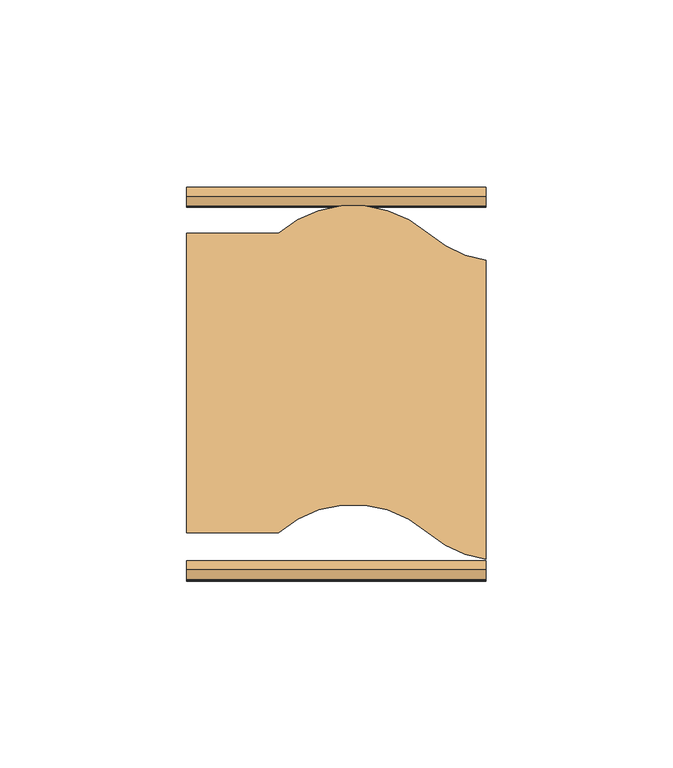
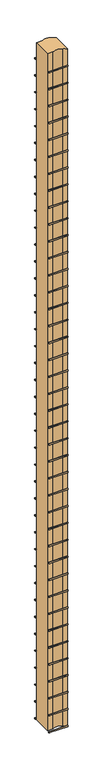
"""IFC4 building model written with IfcOpenShell, lengths in millimetres: door geometry."""

from ifc_helpers import new_model, si_unit, point, frame, frame_2d, origin, origin_with_axes, place, context, project, spatial, polyline, circle_curve, trimmed, segment, composite_curve, outline, extrude, source, transform, mapped, element, save


def door_89ae5f77(model_context):
    return source(origin(), model_context, "Body", "SweptSolid", [
        extrude(outline(composite_curve([segment(trimmed(circle_curve(frame_2d((49.9536574, 2925.0)), 2.4876096), [point((49.9536574, 2922.5123904))], [point((49.9536574, 2927.4876096))], False, "CARTESIAN"), True, "CONTINUOUS"), segment(trimmed(circle_curve(frame_2d((49.9536574, 2925.0)), 2.4876096), [point((49.9536574, 2927.4876096))], [point((49.9536574, 2922.5123904))], False, "CARTESIAN"), True, "CONTINUOUS")], self_intersect=False)), frame((-39.9999998, 0.0, 0.0), z_axis=(1.0, 0.0, 0.0), x_axis=(0.0, 1.0, 0.0)), (0.0, 0.0, 1.0), 79.9999997),
        extrude(outline(composite_curve([segment(trimmed(circle_curve(frame_2d((49.9536574, 2850.0)), 2.4876096), [point((49.9536574, 2847.5123904))], [point((49.9536574, 2852.4876096))], False, "CARTESIAN"), True, "CONTINUOUS"), segment(trimmed(circle_curve(frame_2d((49.9536574, 2850.0)), 2.4876096), [point((49.9536574, 2852.4876096))], [point((49.9536574, 2847.5123904))], False, "CARTESIAN"), True, "CONTINUOUS")], self_intersect=False)), frame((-39.9999998, 0.0, 0.0), z_axis=(1.0, 0.0, 0.0), x_axis=(0.0, 1.0, 0.0)), (0.0, 0.0, 1.0), 79.9999997),
        extrude(outline(composite_curve([segment(trimmed(circle_curve(frame_2d((49.9536574, 2775.0)), 2.4876096), [point((49.9536574, 2772.5123904))], [point((49.9536574, 2777.4876096))], False, "CARTESIAN"), True, "CONTINUOUS"), segment(trimmed(circle_curve(frame_2d((49.9536574, 2775.0)), 2.4876096), [point((49.9536574, 2777.4876096))], [point((49.9536574, 2772.5123904))], False, "CARTESIAN"), True, "CONTINUOUS")], self_intersect=False)), frame((-39.9999998, 0.0, 0.0), z_axis=(1.0, 0.0, 0.0), x_axis=(0.0, 1.0, 0.0)), (0.0, 0.0, 1.0), 79.9999997),
        extrude(outline(composite_curve([segment(trimmed(circle_curve(frame_2d((49.9536574, 2700.0)), 2.4876096), [point((49.9536574, 2697.5123904))], [point((49.9536574, 2702.4876096))], False, "CARTESIAN"), True, "CONTINUOUS"), segment(trimmed(circle_curve(frame_2d((49.9536574, 2700.0)), 2.4876096), [point((49.9536574, 2702.4876096))], [point((49.9536574, 2697.5123904))], False, "CARTESIAN"), True, "CONTINUOUS")], self_intersect=False)), frame((-39.9999998, 0.0, 0.0), z_axis=(1.0, 0.0, 0.0), x_axis=(0.0, 1.0, 0.0)), (0.0, 0.0, 1.0), 79.9999997),
        extrude(outline(composite_curve([segment(trimmed(circle_curve(frame_2d((49.9536574, 2625.0)), 2.4876096), [point((49.9536574, 2622.5123904))], [point((49.9536574, 2627.4876096))], False, "CARTESIAN"), True, "CONTINUOUS"), segment(trimmed(circle_curve(frame_2d((49.9536574, 2625.0)), 2.4876096), [point((49.9536574, 2627.4876096))], [point((49.9536574, 2622.5123904))], False, "CARTESIAN"), True, "CONTINUOUS")], self_intersect=False)), frame((-39.9999998, 0.0, 0.0), z_axis=(1.0, 0.0, 0.0), x_axis=(0.0, 1.0, 0.0)), (0.0, 0.0, 1.0), 79.9999997),
        extrude(outline(composite_curve([segment(trimmed(circle_curve(frame_2d((49.9536574, 2550.0)), 2.4876096), [point((49.9536574, 2547.5123904))], [point((49.9536574, 2552.4876096))], False, "CARTESIAN"), True, "CONTINUOUS"), segment(trimmed(circle_curve(frame_2d((49.9536574, 2550.0)), 2.4876096), [point((49.9536574, 2552.4876096))], [point((49.9536574, 2547.5123904))], False, "CARTESIAN"), True, "CONTINUOUS")], self_intersect=False)), frame((-39.9999998, 0.0, 0.0), z_axis=(1.0, 0.0, 0.0), x_axis=(0.0, 1.0, 0.0)), (0.0, 0.0, 1.0), 79.9999997),
        extrude(outline(composite_curve([segment(trimmed(circle_curve(frame_2d((49.9536574, 2475.0)), 2.4876096), [point((49.9536574, 2472.5123904))], [point((49.9536574, 2477.4876096))], False, "CARTESIAN"), True, "CONTINUOUS"), segment(trimmed(circle_curve(frame_2d((49.9536574, 2475.0)), 2.4876096), [point((49.9536574, 2477.4876096))], [point((49.9536574, 2472.5123904))], False, "CARTESIAN"), True, "CONTINUOUS")], self_intersect=False)), frame((-39.9999998, 0.0, 0.0), z_axis=(1.0, 0.0, 0.0), x_axis=(0.0, 1.0, 0.0)), (0.0, 0.0, 1.0), 79.9999997),
        extrude(outline(composite_curve([segment(trimmed(circle_curve(frame_2d((49.9536574, 2400.0)), 2.4876096), [point((49.9536574, 2397.5123904))], [point((49.9536574, 2402.4876096))], False, "CARTESIAN"), True, "CONTINUOUS"), segment(trimmed(circle_curve(frame_2d((49.9536574, 2400.0)), 2.4876096), [point((49.9536574, 2402.4876096))], [point((49.9536574, 2397.5123904))], False, "CARTESIAN"), True, "CONTINUOUS")], self_intersect=False)), frame((-39.9999998, 0.0, 0.0), z_axis=(1.0, 0.0, 0.0), x_axis=(0.0, 1.0, 0.0)), (0.0, 0.0, 1.0), 79.9999997),
        extrude(outline(composite_curve([segment(trimmed(circle_curve(frame_2d((49.9536574, 2325.0)), 2.4876096), [point((49.9536574, 2322.5123904))], [point((49.9536574, 2327.4876096))], False, "CARTESIAN"), True, "CONTINUOUS"), segment(trimmed(circle_curve(frame_2d((49.9536574, 2325.0)), 2.4876096), [point((49.9536574, 2327.4876096))], [point((49.9536574, 2322.5123904))], False, "CARTESIAN"), True, "CONTINUOUS")], self_intersect=False)), frame((-39.9999998, 0.0, 0.0), z_axis=(1.0, 0.0, 0.0), x_axis=(0.0, 1.0, 0.0)), (0.0, 0.0, 1.0), 79.9999997),
        extrude(outline(composite_curve([segment(trimmed(circle_curve(frame_2d((49.9536574, 2250.0)), 2.4876096), [point((49.9536574, 2247.5123904))], [point((49.9536574, 2252.4876096))], False, "CARTESIAN"), True, "CONTINUOUS"), segment(trimmed(circle_curve(frame_2d((49.9536574, 2250.0)), 2.4876096), [point((49.9536574, 2252.4876096))], [point((49.9536574, 2247.5123904))], False, "CARTESIAN"), True, "CONTINUOUS")], self_intersect=False)), frame((-39.9999998, 0.0, 0.0), z_axis=(1.0, 0.0, 0.0), x_axis=(0.0, 1.0, 0.0)), (0.0, 0.0, 1.0), 79.9999997),
        extrude(outline(composite_curve([segment(trimmed(circle_curve(frame_2d((49.9536574, 2175.0)), 2.4876096), [point((49.9536574, 2172.5123904))], [point((49.9536574, 2177.4876096))], False, "CARTESIAN"), True, "CONTINUOUS"), segment(trimmed(circle_curve(frame_2d((49.9536574, 2175.0)), 2.4876096), [point((49.9536574, 2177.4876096))], [point((49.9536574, 2172.5123904))], False, "CARTESIAN"), True, "CONTINUOUS")], self_intersect=False)), frame((-39.9999998, 0.0, 0.0), z_axis=(1.0, 0.0, 0.0), x_axis=(0.0, 1.0, 0.0)), (0.0, 0.0, 1.0), 79.9999997),
        extrude(outline(composite_curve([segment(trimmed(circle_curve(frame_2d((49.9536574, 2100.0)), 2.4876096), [point((49.9536574, 2097.5123904))], [point((49.9536574, 2102.4876096))], False, "CARTESIAN"), True, "CONTINUOUS"), segment(trimmed(circle_curve(frame_2d((49.9536574, 2100.0)), 2.4876096), [point((49.9536574, 2102.4876096))], [point((49.9536574, 2097.5123904))], False, "CARTESIAN"), True, "CONTINUOUS")], self_intersect=False)), frame((-39.9999998, 0.0, 0.0), z_axis=(1.0, 0.0, 0.0), x_axis=(0.0, 1.0, 0.0)), (0.0, 0.0, 1.0), 79.9999997),
        extrude(outline(composite_curve([segment(trimmed(circle_curve(frame_2d((49.9536574, 2025.0)), 2.4876096), [point((49.9536574, 2022.5123904))], [point((49.9536574, 2027.4876096))], False, "CARTESIAN"), True, "CONTINUOUS"), segment(trimmed(circle_curve(frame_2d((49.9536574, 2025.0)), 2.4876096), [point((49.9536574, 2027.4876096))], [point((49.9536574, 2022.5123904))], False, "CARTESIAN"), True, "CONTINUOUS")], self_intersect=False)), frame((-39.9999998, 0.0, 0.0), z_axis=(1.0, 0.0, 0.0), x_axis=(0.0, 1.0, 0.0)), (0.0, 0.0, 1.0), 79.9999997),
        extrude(outline(composite_curve([segment(trimmed(circle_curve(frame_2d((49.9536574, 1950.0)), 2.4876096), [point((49.9536574, 1947.5123904))], [point((49.9536574, 1952.4876096))], False, "CARTESIAN"), True, "CONTINUOUS"), segment(trimmed(circle_curve(frame_2d((49.9536574, 1950.0)), 2.4876096), [point((49.9536574, 1952.4876096))], [point((49.9536574, 1947.5123904))], False, "CARTESIAN"), True, "CONTINUOUS")], self_intersect=False)), frame((-39.9999998, 0.0, 0.0), z_axis=(1.0, 0.0, 0.0), x_axis=(0.0, 1.0, 0.0)), (0.0, 0.0, 1.0), 79.9999997),
        extrude(outline(composite_curve([segment(trimmed(circle_curve(frame_2d((49.9536574, 1875.0)), 2.4876096), [point((49.9536574, 1872.5123904))], [point((49.9536574, 1877.4876096))], False, "CARTESIAN"), True, "CONTINUOUS"), segment(trimmed(circle_curve(frame_2d((49.9536574, 1875.0)), 2.4876096), [point((49.9536574, 1877.4876096))], [point((49.9536574, 1872.5123904))], False, "CARTESIAN"), True, "CONTINUOUS")], self_intersect=False)), frame((-39.9999998, 0.0, 0.0), z_axis=(1.0, 0.0, 0.0), x_axis=(0.0, 1.0, 0.0)), (0.0, 0.0, 1.0), 79.9999997),
        extrude(outline(composite_curve([segment(trimmed(circle_curve(frame_2d((49.9536574, 1800.0)), 2.4876096), [point((49.9536574, 1797.5123904))], [point((49.9536574, 1802.4876096))], False, "CARTESIAN"), True, "CONTINUOUS"), segment(trimmed(circle_curve(frame_2d((49.9536574, 1800.0)), 2.4876096), [point((49.9536574, 1802.4876096))], [point((49.9536574, 1797.5123904))], False, "CARTESIAN"), True, "CONTINUOUS")], self_intersect=False)), frame((-39.9999998, 0.0, 0.0), z_axis=(1.0, 0.0, 0.0), x_axis=(0.0, 1.0, 0.0)), (0.0, 0.0, 1.0), 79.9999997),
        extrude(outline(composite_curve([segment(trimmed(circle_curve(frame_2d((49.9536574, 1725.0)), 2.4876096), [point((49.9536574, 1722.5123904))], [point((49.9536574, 1727.4876096))], False, "CARTESIAN"), True, "CONTINUOUS"), segment(trimmed(circle_curve(frame_2d((49.9536574, 1725.0)), 2.4876096), [point((49.9536574, 1727.4876096))], [point((49.9536574, 1722.5123904))], False, "CARTESIAN"), True, "CONTINUOUS")], self_intersect=False)), frame((-39.9999998, 0.0, 0.0), z_axis=(1.0, 0.0, 0.0), x_axis=(0.0, 1.0, 0.0)), (0.0, 0.0, 1.0), 79.9999997),
        extrude(outline(composite_curve([segment(trimmed(circle_curve(frame_2d((49.9536574, 1650.0)), 2.4876096), [point((49.9536574, 1647.5123904))], [point((49.9536574, 1652.4876096))], False, "CARTESIAN"), True, "CONTINUOUS"), segment(trimmed(circle_curve(frame_2d((49.9536574, 1650.0)), 2.4876096), [point((49.9536574, 1652.4876096))], [point((49.9536574, 1647.5123904))], False, "CARTESIAN"), True, "CONTINUOUS")], self_intersect=False)), frame((-39.9999998, 0.0, 0.0), z_axis=(1.0, 0.0, 0.0), x_axis=(0.0, 1.0, 0.0)), (0.0, 0.0, 1.0), 79.9999997),
        extrude(outline(composite_curve([segment(trimmed(circle_curve(frame_2d((49.9536574, 1575.0)), 2.4876096), [point((49.9536574, 1572.5123904))], [point((49.9536574, 1577.4876096))], False, "CARTESIAN"), True, "CONTINUOUS"), segment(trimmed(circle_curve(frame_2d((49.9536574, 1575.0)), 2.4876096), [point((49.9536574, 1577.4876096))], [point((49.9536574, 1572.5123904))], False, "CARTESIAN"), True, "CONTINUOUS")], self_intersect=False)), frame((-39.9999998, 0.0, 0.0), z_axis=(1.0, 0.0, 0.0), x_axis=(0.0, 1.0, 0.0)), (0.0, 0.0, 1.0), 79.9999997),
        extrude(outline(composite_curve([segment(trimmed(circle_curve(frame_2d((49.9536574, 1500.0)), 2.4876096), [point((49.9536574, 1497.5123904))], [point((49.9536574, 1502.4876096))], False, "CARTESIAN"), True, "CONTINUOUS"), segment(trimmed(circle_curve(frame_2d((49.9536574, 1500.0)), 2.4876096), [point((49.9536574, 1502.4876096))], [point((49.9536574, 1497.5123904))], False, "CARTESIAN"), True, "CONTINUOUS")], self_intersect=False)), frame((-39.9999998, 0.0, 0.0), z_axis=(1.0, 0.0, 0.0), x_axis=(0.0, 1.0, 0.0)), (0.0, 0.0, 1.0), 79.9999997),
        extrude(outline(composite_curve([segment(trimmed(circle_curve(frame_2d((49.9536574, 1425.0)), 2.4876096), [point((49.9536574, 1422.5123904))], [point((49.9536574, 1427.4876096))], False, "CARTESIAN"), True, "CONTINUOUS"), segment(trimmed(circle_curve(frame_2d((49.9536574, 1425.0)), 2.4876096), [point((49.9536574, 1427.4876096))], [point((49.9536574, 1422.5123904))], False, "CARTESIAN"), True, "CONTINUOUS")], self_intersect=False)), frame((-39.9999998, 0.0, 0.0), z_axis=(1.0, 0.0, 0.0), x_axis=(0.0, 1.0, 0.0)), (0.0, 0.0, 1.0), 79.9999997),
        extrude(outline(composite_curve([segment(trimmed(circle_curve(frame_2d((49.9536574, 1350.0)), 2.4876096), [point((49.9536574, 1347.5123904))], [point((49.9536574, 1352.4876096))], False, "CARTESIAN"), True, "CONTINUOUS"), segment(trimmed(circle_curve(frame_2d((49.9536574, 1350.0)), 2.4876096), [point((49.9536574, 1352.4876096))], [point((49.9536574, 1347.5123904))], False, "CARTESIAN"), True, "CONTINUOUS")], self_intersect=False)), frame((-39.9999998, 0.0, 0.0), z_axis=(1.0, 0.0, 0.0), x_axis=(0.0, 1.0, 0.0)), (0.0, 0.0, 1.0), 79.9999997),
        extrude(outline(composite_curve([segment(trimmed(circle_curve(frame_2d((49.9536574, 1275.0)), 2.4876096), [point((49.9536574, 1272.5123904))], [point((49.9536574, 1277.4876096))], False, "CARTESIAN"), True, "CONTINUOUS"), segment(trimmed(circle_curve(frame_2d((49.9536574, 1275.0)), 2.4876096), [point((49.9536574, 1277.4876096))], [point((49.9536574, 1272.5123904))], False, "CARTESIAN"), True, "CONTINUOUS")], self_intersect=False)), frame((-39.9999998, 0.0, 0.0), z_axis=(1.0, 0.0, 0.0), x_axis=(0.0, 1.0, 0.0)), (0.0, 0.0, 1.0), 79.9999997),
        extrude(outline(composite_curve([segment(trimmed(circle_curve(frame_2d((49.9536574, 1200.0)), 2.4876096), [point((49.9536574, 1197.5123904))], [point((49.9536574, 1202.4876096))], False, "CARTESIAN"), True, "CONTINUOUS"), segment(trimmed(circle_curve(frame_2d((49.9536574, 1200.0)), 2.4876096), [point((49.9536574, 1202.4876096))], [point((49.9536574, 1197.5123904))], False, "CARTESIAN"), True, "CONTINUOUS")], self_intersect=False)), frame((-39.9999998, 0.0, 0.0), z_axis=(1.0, 0.0, 0.0), x_axis=(0.0, 1.0, 0.0)), (0.0, 0.0, 1.0), 79.9999997),
        extrude(outline(composite_curve([segment(trimmed(circle_curve(frame_2d((49.9536574, 1125.0)), 2.4876096), [point((49.9536574, 1122.5123904))], [point((49.9536574, 1127.4876096))], False, "CARTESIAN"), True, "CONTINUOUS"), segment(trimmed(circle_curve(frame_2d((49.9536574, 1125.0)), 2.4876096), [point((49.9536574, 1127.4876096))], [point((49.9536574, 1122.5123904))], False, "CARTESIAN"), True, "CONTINUOUS")], self_intersect=False)), frame((-39.9999998, 0.0, 0.0), z_axis=(1.0, 0.0, 0.0), x_axis=(0.0, 1.0, 0.0)), (0.0, 0.0, 1.0), 79.9999997),
        extrude(outline(composite_curve([segment(trimmed(circle_curve(frame_2d((49.9536574, 1050.0)), 2.4876096), [point((49.9536574, 1047.5123904))], [point((49.9536574, 1052.4876096))], False, "CARTESIAN"), True, "CONTINUOUS"), segment(trimmed(circle_curve(frame_2d((49.9536574, 1050.0)), 2.4876096), [point((49.9536574, 1052.4876096))], [point((49.9536574, 1047.5123904))], False, "CARTESIAN"), True, "CONTINUOUS")], self_intersect=False)), frame((-39.9999998, 0.0, 0.0), z_axis=(1.0, 0.0, 0.0), x_axis=(0.0, 1.0, 0.0)), (0.0, 0.0, 1.0), 79.9999997),
        extrude(outline(composite_curve([segment(trimmed(circle_curve(frame_2d((49.9536574, 975.0)), 2.4876096), [point((49.9536574, 972.5123904))], [point((49.9536574, 977.4876096))], False, "CARTESIAN"), True, "CONTINUOUS"), segment(trimmed(circle_curve(frame_2d((49.9536574, 975.0)), 2.4876096), [point((49.9536574, 977.4876096))], [point((49.9536574, 972.5123904))], False, "CARTESIAN"), True, "CONTINUOUS")], self_intersect=False)), frame((-39.9999998, 0.0, 0.0), z_axis=(1.0, 0.0, 0.0), x_axis=(0.0, 1.0, 0.0)), (0.0, 0.0, 1.0), 79.9999997),
        extrude(outline(composite_curve([segment(trimmed(circle_curve(frame_2d((49.9536574, 900.0)), 2.4876096), [point((49.9536574, 897.5123904))], [point((49.9536574, 902.4876096))], False, "CARTESIAN"), True, "CONTINUOUS"), segment(trimmed(circle_curve(frame_2d((49.9536574, 900.0)), 2.4876096), [point((49.9536574, 902.4876096))], [point((49.9536574, 897.5123904))], False, "CARTESIAN"), True, "CONTINUOUS")], self_intersect=False)), frame((-39.9999998, 0.0, 0.0), z_axis=(1.0, 0.0, 0.0), x_axis=(0.0, 1.0, 0.0)), (0.0, 0.0, 1.0), 79.9999997),
        extrude(outline(composite_curve([segment(trimmed(circle_curve(frame_2d((49.9536574, 825.0)), 2.4876096), [point((49.9536574, 822.5123904))], [point((49.9536574, 827.4876096))], False, "CARTESIAN"), True, "CONTINUOUS"), segment(trimmed(circle_curve(frame_2d((49.9536574, 825.0)), 2.4876096), [point((49.9536574, 827.4876096))], [point((49.9536574, 822.5123904))], False, "CARTESIAN"), True, "CONTINUOUS")], self_intersect=False)), frame((-39.9999998, 0.0, 0.0), z_axis=(1.0, 0.0, 0.0), x_axis=(0.0, 1.0, 0.0)), (0.0, 0.0, 1.0), 79.9999997),
        extrude(outline(composite_curve([segment(trimmed(circle_curve(frame_2d((49.9536574, 750.0)), 2.4876096), [point((49.9536574, 747.5123904))], [point((49.9536574, 752.4876096))], False, "CARTESIAN"), True, "CONTINUOUS"), segment(trimmed(circle_curve(frame_2d((49.9536574, 750.0)), 2.4876096), [point((49.9536574, 752.4876096))], [point((49.9536574, 747.5123904))], False, "CARTESIAN"), True, "CONTINUOUS")], self_intersect=False)), frame((-39.9999998, 0.0, 0.0), z_axis=(1.0, 0.0, 0.0), x_axis=(0.0, 1.0, 0.0)), (0.0, 0.0, 1.0), 79.9999997),
        extrude(outline(composite_curve([segment(trimmed(circle_curve(frame_2d((49.9536574, 675.0)), 2.4876096), [point((49.9536574, 672.5123904))], [point((49.9536574, 677.4876096))], False, "CARTESIAN"), True, "CONTINUOUS"), segment(trimmed(circle_curve(frame_2d((49.9536574, 675.0)), 2.4876096), [point((49.9536574, 677.4876096))], [point((49.9536574, 672.5123904))], False, "CARTESIAN"), True, "CONTINUOUS")], self_intersect=False)), frame((-39.9999998, 0.0, 0.0), z_axis=(1.0, 0.0, 0.0), x_axis=(0.0, 1.0, 0.0)), (0.0, 0.0, 1.0), 79.9999997),
        extrude(outline(composite_curve([segment(trimmed(circle_curve(frame_2d((49.9536574, 600.0)), 2.4876096), [point((49.9536574, 597.5123904))], [point((49.9536574, 602.4876096))], False, "CARTESIAN"), True, "CONTINUOUS"), segment(trimmed(circle_curve(frame_2d((49.9536574, 600.0)), 2.4876096), [point((49.9536574, 602.4876096))], [point((49.9536574, 597.5123904))], False, "CARTESIAN"), True, "CONTINUOUS")], self_intersect=False)), frame((-39.9999998, 0.0, 0.0), z_axis=(1.0, 0.0, 0.0), x_axis=(0.0, 1.0, 0.0)), (0.0, 0.0, 1.0), 79.9999997),
        extrude(outline(composite_curve([segment(trimmed(circle_curve(frame_2d((49.9536574, 525.0)), 2.4876096), [point((49.9536574, 522.5123904))], [point((49.9536574, 527.4876096))], False, "CARTESIAN"), True, "CONTINUOUS"), segment(trimmed(circle_curve(frame_2d((49.9536574, 525.0)), 2.4876096), [point((49.9536574, 527.4876096))], [point((49.9536574, 522.5123904))], False, "CARTESIAN"), True, "CONTINUOUS")], self_intersect=False)), frame((-39.9999998, 0.0, 0.0), z_axis=(1.0, 0.0, 0.0), x_axis=(0.0, 1.0, 0.0)), (0.0, 0.0, 1.0), 79.9999997),
        extrude(outline(composite_curve([segment(trimmed(circle_curve(frame_2d((49.9536574, 450.0)), 2.4876096), [point((49.9536574, 447.5123904))], [point((49.9536574, 452.4876096))], False, "CARTESIAN"), True, "CONTINUOUS"), segment(trimmed(circle_curve(frame_2d((49.9536574, 450.0)), 2.4876096), [point((49.9536574, 452.4876096))], [point((49.9536574, 447.5123904))], False, "CARTESIAN"), True, "CONTINUOUS")], self_intersect=False)), frame((-39.9999998, 0.0, 0.0), z_axis=(1.0, 0.0, 0.0), x_axis=(0.0, 1.0, 0.0)), (0.0, 0.0, 1.0), 79.9999997),
        extrude(outline(composite_curve([segment(trimmed(circle_curve(frame_2d((49.9536574, 375.0)), 2.4876096), [point((49.9536574, 372.5123904))], [point((49.9536574, 377.4876096))], False, "CARTESIAN"), True, "CONTINUOUS"), segment(trimmed(circle_curve(frame_2d((49.9536574, 375.0)), 2.4876096), [point((49.9536574, 377.4876096))], [point((49.9536574, 372.5123904))], False, "CARTESIAN"), True, "CONTINUOUS")], self_intersect=False)), frame((-39.9999998, 0.0, 0.0), z_axis=(1.0, 0.0, 0.0), x_axis=(0.0, 1.0, 0.0)), (0.0, 0.0, 1.0), 79.9999997),
        extrude(outline(composite_curve([segment(trimmed(circle_curve(frame_2d((49.9536574, 300.0)), 2.4876096), [point((49.9536574, 297.5123904))], [point((49.9536574, 302.4876096))], False, "CARTESIAN"), True, "CONTINUOUS"), segment(trimmed(circle_curve(frame_2d((49.9536574, 300.0)), 2.4876096), [point((49.9536574, 302.4876096))], [point((49.9536574, 297.5123904))], False, "CARTESIAN"), True, "CONTINUOUS")], self_intersect=False)), frame((-39.9999998, 0.0, 0.0), z_axis=(1.0, 0.0, 0.0), x_axis=(0.0, 1.0, 0.0)), (0.0, 0.0, 1.0), 79.9999997),
        extrude(outline(composite_curve([segment(trimmed(circle_curve(frame_2d((49.9536574, 225.0)), 2.4876096), [point((49.9536574, 222.5123904))], [point((49.9536574, 227.4876096))], False, "CARTESIAN"), True, "CONTINUOUS"), segment(trimmed(circle_curve(frame_2d((49.9536574, 225.0)), 2.4876096), [point((49.9536574, 227.4876096))], [point((49.9536574, 222.5123904))], False, "CARTESIAN"), True, "CONTINUOUS")], self_intersect=False)), frame((-39.9999998, 0.0, 0.0), z_axis=(1.0, 0.0, 0.0), x_axis=(0.0, 1.0, 0.0)), (0.0, 0.0, 1.0), 79.9999997),
        extrude(outline(composite_curve([segment(trimmed(circle_curve(frame_2d((49.9536574, 150.0)), 2.4876096), [point((49.9536574, 147.5123904))], [point((49.9536574, 152.4876096))], False, "CARTESIAN"), True, "CONTINUOUS"), segment(trimmed(circle_curve(frame_2d((49.9536574, 150.0)), 2.4876096), [point((49.9536574, 152.4876096))], [point((49.9536574, 147.5123904))], False, "CARTESIAN"), True, "CONTINUOUS")], self_intersect=False)), frame((-39.9999998, 0.0, 0.0), z_axis=(1.0, 0.0, 0.0), x_axis=(0.0, 1.0, 0.0)), (0.0, 0.0, 1.0), 79.9999997),
        extrude(outline(composite_curve([segment(trimmed(circle_curve(frame_2d((49.9536574, 75.0)), 2.4876096), [point((49.9536574, 72.5123904))], [point((49.9536574, 77.4876096))], False, "CARTESIAN"), True, "CONTINUOUS"), segment(trimmed(circle_curve(frame_2d((49.9536574, 75.0)), 2.4876096), [point((49.9536574, 77.4876096))], [point((49.9536574, 72.5123904))], False, "CARTESIAN"), True, "CONTINUOUS")], self_intersect=False)), frame((-39.9999998, 0.0, 0.0), z_axis=(1.0, 0.0, 0.0), x_axis=(0.0, 1.0, 0.0)), (0.0, 0.0, 1.0), 79.9999997),
        extrude(outline(composite_curve([segment(trimmed(circle_curve(frame_2d((49.9536574, 0.0)), 2.4876096), [point((49.9536574, -2.4876096))], [point((49.9536574, 2.4876096))], False, "CARTESIAN"), True, "CONTINUOUS"), segment(trimmed(circle_curve(frame_2d((49.9536574, 0.0)), 2.4876096), [point((49.9536574, 2.4876096))], [point((49.9536574, -2.4876096))], False, "CARTESIAN"), True, "CONTINUOUS")], self_intersect=False)), frame((-39.9999998, 0.0, 0.0), z_axis=(1.0, 0.0, 0.0), x_axis=(0.0, 1.0, 0.0)), (0.0, 0.0, 1.0), 79.9999997),
        extrude(outline(composite_curve([segment(trimmed(circle_curve(frame_2d((-49.9536574, 2925.0)), 2.4876096), [point((-49.9536574, 2922.5123904))], [point((-49.9536574, 2927.4876096))], False, "CARTESIAN"), True, "CONTINUOUS"), segment(trimmed(circle_curve(frame_2d((-49.9536574, 2925.0)), 2.4876096), [point((-49.9536574, 2927.4876096))], [point((-49.9536574, 2922.5123904))], False, "CARTESIAN"), True, "CONTINUOUS")], self_intersect=False)), frame((-39.9999998, 0.0, 0.0), z_axis=(1.0, 0.0, 0.0), x_axis=(0.0, 1.0, 0.0)), (0.0, 0.0, 1.0), 79.9999997),
        extrude(outline(composite_curve([segment(trimmed(circle_curve(frame_2d((-49.9536574, 2850.0)), 2.4876096), [point((-49.9536574, 2847.5123904))], [point((-49.9536574, 2852.4876096))], False, "CARTESIAN"), True, "CONTINUOUS"), segment(trimmed(circle_curve(frame_2d((-49.9536574, 2850.0)), 2.4876096), [point((-49.9536574, 2852.4876096))], [point((-49.9536574, 2847.5123904))], False, "CARTESIAN"), True, "CONTINUOUS")], self_intersect=False)), frame((-39.9999998, 0.0, 0.0), z_axis=(1.0, 0.0, 0.0), x_axis=(0.0, 1.0, 0.0)), (0.0, 0.0, 1.0), 79.9999997),
        extrude(outline(composite_curve([segment(trimmed(circle_curve(frame_2d((-49.9536574, 2775.0)), 2.4876096), [point((-49.9536574, 2772.5123904))], [point((-49.9536574, 2777.4876096))], False, "CARTESIAN"), True, "CONTINUOUS"), segment(trimmed(circle_curve(frame_2d((-49.9536574, 2775.0)), 2.4876096), [point((-49.9536574, 2777.4876096))], [point((-49.9536574, 2772.5123904))], False, "CARTESIAN"), True, "CONTINUOUS")], self_intersect=False)), frame((-39.9999998, 0.0, 0.0), z_axis=(1.0, 0.0, 0.0), x_axis=(0.0, 1.0, 0.0)), (0.0, 0.0, 1.0), 79.9999997),
        extrude(outline(composite_curve([segment(trimmed(circle_curve(frame_2d((-49.9536574, 2700.0)), 2.4876096), [point((-49.9536574, 2697.5123904))], [point((-49.9536574, 2702.4876096))], False, "CARTESIAN"), True, "CONTINUOUS"), segment(trimmed(circle_curve(frame_2d((-49.9536574, 2700.0)), 2.4876096), [point((-49.9536574, 2702.4876096))], [point((-49.9536574, 2697.5123904))], False, "CARTESIAN"), True, "CONTINUOUS")], self_intersect=False)), frame((-39.9999998, 0.0, 0.0), z_axis=(1.0, 0.0, 0.0), x_axis=(0.0, 1.0, 0.0)), (0.0, 0.0, 1.0), 79.9999997),
        extrude(outline(composite_curve([segment(trimmed(circle_curve(frame_2d((-49.9536574, 2625.0)), 2.4876096), [point((-49.9536574, 2622.5123904))], [point((-49.9536574, 2627.4876096))], False, "CARTESIAN"), True, "CONTINUOUS"), segment(trimmed(circle_curve(frame_2d((-49.9536574, 2625.0)), 2.4876096), [point((-49.9536574, 2627.4876096))], [point((-49.9536574, 2622.5123904))], False, "CARTESIAN"), True, "CONTINUOUS")], self_intersect=False)), frame((-39.9999998, 0.0, 0.0), z_axis=(1.0, 0.0, 0.0), x_axis=(0.0, 1.0, 0.0)), (0.0, 0.0, 1.0), 79.9999997),
        extrude(outline(composite_curve([segment(trimmed(circle_curve(frame_2d((-49.9536574, 2550.0)), 2.4876096), [point((-49.9536574, 2547.5123904))], [point((-49.9536574, 2552.4876096))], False, "CARTESIAN"), True, "CONTINUOUS"), segment(trimmed(circle_curve(frame_2d((-49.9536574, 2550.0)), 2.4876096), [point((-49.9536574, 2552.4876096))], [point((-49.9536574, 2547.5123904))], False, "CARTESIAN"), True, "CONTINUOUS")], self_intersect=False)), frame((-39.9999998, 0.0, 0.0), z_axis=(1.0, 0.0, 0.0), x_axis=(0.0, 1.0, 0.0)), (0.0, 0.0, 1.0), 79.9999997),
        extrude(outline(composite_curve([segment(trimmed(circle_curve(frame_2d((-49.9536574, 2475.0)), 2.4876096), [point((-49.9536574, 2472.5123904))], [point((-49.9536574, 2477.4876096))], False, "CARTESIAN"), True, "CONTINUOUS"), segment(trimmed(circle_curve(frame_2d((-49.9536574, 2475.0)), 2.4876096), [point((-49.9536574, 2477.4876096))], [point((-49.9536574, 2472.5123904))], False, "CARTESIAN"), True, "CONTINUOUS")], self_intersect=False)), frame((-39.9999998, 0.0, 0.0), z_axis=(1.0, 0.0, 0.0), x_axis=(0.0, 1.0, 0.0)), (0.0, 0.0, 1.0), 79.9999997),
        extrude(outline(composite_curve([segment(trimmed(circle_curve(frame_2d((-49.9536574, 2400.0)), 2.4876096), [point((-49.9536574, 2397.5123904))], [point((-49.9536574, 2402.4876096))], False, "CARTESIAN"), True, "CONTINUOUS"), segment(trimmed(circle_curve(frame_2d((-49.9536574, 2400.0)), 2.4876096), [point((-49.9536574, 2402.4876096))], [point((-49.9536574, 2397.5123904))], False, "CARTESIAN"), True, "CONTINUOUS")], self_intersect=False)), frame((-39.9999998, 0.0, 0.0), z_axis=(1.0, 0.0, 0.0), x_axis=(0.0, 1.0, 0.0)), (0.0, 0.0, 1.0), 79.9999997),
        extrude(outline(composite_curve([segment(trimmed(circle_curve(frame_2d((-49.9536574, 2325.0)), 2.4876096), [point((-49.9536574, 2322.5123904))], [point((-49.9536574, 2327.4876096))], False, "CARTESIAN"), True, "CONTINUOUS"), segment(trimmed(circle_curve(frame_2d((-49.9536574, 2325.0)), 2.4876096), [point((-49.9536574, 2327.4876096))], [point((-49.9536574, 2322.5123904))], False, "CARTESIAN"), True, "CONTINUOUS")], self_intersect=False)), frame((-39.9999998, 0.0, 0.0), z_axis=(1.0, 0.0, 0.0), x_axis=(0.0, 1.0, 0.0)), (0.0, 0.0, 1.0), 79.9999997),
        extrude(outline(composite_curve([segment(trimmed(circle_curve(frame_2d((-49.9536574, 2250.0)), 2.4876096), [point((-49.9536574, 2247.5123904))], [point((-49.9536574, 2252.4876096))], False, "CARTESIAN"), True, "CONTINUOUS"), segment(trimmed(circle_curve(frame_2d((-49.9536574, 2250.0)), 2.4876096), [point((-49.9536574, 2252.4876096))], [point((-49.9536574, 2247.5123904))], False, "CARTESIAN"), True, "CONTINUOUS")], self_intersect=False)), frame((-39.9999998, 0.0, 0.0), z_axis=(1.0, 0.0, 0.0), x_axis=(0.0, 1.0, 0.0)), (0.0, 0.0, 1.0), 79.9999997),
        extrude(outline(composite_curve([segment(trimmed(circle_curve(frame_2d((-49.9536574, 2175.0)), 2.4876096), [point((-49.9536574, 2172.5123904))], [point((-49.9536574, 2177.4876096))], False, "CARTESIAN"), True, "CONTINUOUS"), segment(trimmed(circle_curve(frame_2d((-49.9536574, 2175.0)), 2.4876096), [point((-49.9536574, 2177.4876096))], [point((-49.9536574, 2172.5123904))], False, "CARTESIAN"), True, "CONTINUOUS")], self_intersect=False)), frame((-39.9999998, 0.0, 0.0), z_axis=(1.0, 0.0, 0.0), x_axis=(0.0, 1.0, 0.0)), (0.0, 0.0, 1.0), 79.9999997),
        extrude(outline(composite_curve([segment(trimmed(circle_curve(frame_2d((-49.9536574, 2100.0)), 2.4876096), [point((-49.9536574, 2097.5123904))], [point((-49.9536574, 2102.4876096))], False, "CARTESIAN"), True, "CONTINUOUS"), segment(trimmed(circle_curve(frame_2d((-49.9536574, 2100.0)), 2.4876096), [point((-49.9536574, 2102.4876096))], [point((-49.9536574, 2097.5123904))], False, "CARTESIAN"), True, "CONTINUOUS")], self_intersect=False)), frame((-39.9999998, 0.0, 0.0), z_axis=(1.0, 0.0, 0.0), x_axis=(0.0, 1.0, 0.0)), (0.0, 0.0, 1.0), 79.9999997),
        extrude(outline(composite_curve([segment(trimmed(circle_curve(frame_2d((-49.9536574, 2025.0)), 2.4876096), [point((-49.9536574, 2022.5123904))], [point((-49.9536574, 2027.4876096))], False, "CARTESIAN"), True, "CONTINUOUS"), segment(trimmed(circle_curve(frame_2d((-49.9536574, 2025.0)), 2.4876096), [point((-49.9536574, 2027.4876096))], [point((-49.9536574, 2022.5123904))], False, "CARTESIAN"), True, "CONTINUOUS")], self_intersect=False)), frame((-39.9999998, 0.0, 0.0), z_axis=(1.0, 0.0, 0.0), x_axis=(0.0, 1.0, 0.0)), (0.0, 0.0, 1.0), 79.9999997),
        extrude(outline(composite_curve([segment(trimmed(circle_curve(frame_2d((-49.9536574, 1950.0)), 2.4876096), [point((-49.9536574, 1947.5123904))], [point((-49.9536574, 1952.4876096))], False, "CARTESIAN"), True, "CONTINUOUS"), segment(trimmed(circle_curve(frame_2d((-49.9536574, 1950.0)), 2.4876096), [point((-49.9536574, 1952.4876096))], [point((-49.9536574, 1947.5123904))], False, "CARTESIAN"), True, "CONTINUOUS")], self_intersect=False)), frame((-39.9999998, 0.0, 0.0), z_axis=(1.0, 0.0, 0.0), x_axis=(0.0, 1.0, 0.0)), (0.0, 0.0, 1.0), 79.9999997),
        extrude(outline(composite_curve([segment(trimmed(circle_curve(frame_2d((-49.9536574, 1875.0)), 2.4876096), [point((-49.9536574, 1872.5123904))], [point((-49.9536574, 1877.4876096))], False, "CARTESIAN"), True, "CONTINUOUS"), segment(trimmed(circle_curve(frame_2d((-49.9536574, 1875.0)), 2.4876096), [point((-49.9536574, 1877.4876096))], [point((-49.9536574, 1872.5123904))], False, "CARTESIAN"), True, "CONTINUOUS")], self_intersect=False)), frame((-39.9999998, 0.0, 0.0), z_axis=(1.0, 0.0, 0.0), x_axis=(0.0, 1.0, 0.0)), (0.0, 0.0, 1.0), 79.9999997),
        extrude(outline(composite_curve([segment(trimmed(circle_curve(frame_2d((-49.9536574, 1800.0)), 2.4876096), [point((-49.9536574, 1797.5123904))], [point((-49.9536574, 1802.4876096))], False, "CARTESIAN"), True, "CONTINUOUS"), segment(trimmed(circle_curve(frame_2d((-49.9536574, 1800.0)), 2.4876096), [point((-49.9536574, 1802.4876096))], [point((-49.9536574, 1797.5123904))], False, "CARTESIAN"), True, "CONTINUOUS")], self_intersect=False)), frame((-39.9999998, 0.0, 0.0), z_axis=(1.0, 0.0, 0.0), x_axis=(0.0, 1.0, 0.0)), (0.0, 0.0, 1.0), 79.9999997),
        extrude(outline(composite_curve([segment(trimmed(circle_curve(frame_2d((-49.9536574, 1725.0)), 2.4876096), [point((-49.9536574, 1722.5123904))], [point((-49.9536574, 1727.4876096))], False, "CARTESIAN"), True, "CONTINUOUS"), segment(trimmed(circle_curve(frame_2d((-49.9536574, 1725.0)), 2.4876096), [point((-49.9536574, 1727.4876096))], [point((-49.9536574, 1722.5123904))], False, "CARTESIAN"), True, "CONTINUOUS")], self_intersect=False)), frame((-39.9999998, 0.0, 0.0), z_axis=(1.0, 0.0, 0.0), x_axis=(0.0, 1.0, 0.0)), (0.0, 0.0, 1.0), 79.9999997),
        extrude(outline(composite_curve([segment(trimmed(circle_curve(frame_2d((-49.9536574, 1650.0)), 2.4876096), [point((-49.9536574, 1647.5123904))], [point((-49.9536574, 1652.4876096))], False, "CARTESIAN"), True, "CONTINUOUS"), segment(trimmed(circle_curve(frame_2d((-49.9536574, 1650.0)), 2.4876096), [point((-49.9536574, 1652.4876096))], [point((-49.9536574, 1647.5123904))], False, "CARTESIAN"), True, "CONTINUOUS")], self_intersect=False)), frame((-39.9999998, 0.0, 0.0), z_axis=(1.0, 0.0, 0.0), x_axis=(0.0, 1.0, 0.0)), (0.0, 0.0, 1.0), 79.9999997),
        extrude(outline(composite_curve([segment(trimmed(circle_curve(frame_2d((-49.9536574, 1575.0)), 2.4876096), [point((-49.9536574, 1572.5123904))], [point((-49.9536574, 1577.4876096))], False, "CARTESIAN"), True, "CONTINUOUS"), segment(trimmed(circle_curve(frame_2d((-49.9536574, 1575.0)), 2.4876096), [point((-49.9536574, 1577.4876096))], [point((-49.9536574, 1572.5123904))], False, "CARTESIAN"), True, "CONTINUOUS")], self_intersect=False)), frame((-39.9999998, 0.0, 0.0), z_axis=(1.0, 0.0, 0.0), x_axis=(0.0, 1.0, 0.0)), (0.0, 0.0, 1.0), 79.9999997),
        extrude(outline(composite_curve([segment(trimmed(circle_curve(frame_2d((-49.9536574, 1500.0)), 2.4876096), [point((-49.9536574, 1497.5123904))], [point((-49.9536574, 1502.4876096))], False, "CARTESIAN"), True, "CONTINUOUS"), segment(trimmed(circle_curve(frame_2d((-49.9536574, 1500.0)), 2.4876096), [point((-49.9536574, 1502.4876096))], [point((-49.9536574, 1497.5123904))], False, "CARTESIAN"), True, "CONTINUOUS")], self_intersect=False)), frame((-39.9999998, 0.0, 0.0), z_axis=(1.0, 0.0, 0.0), x_axis=(0.0, 1.0, 0.0)), (0.0, 0.0, 1.0), 79.9999997),
        extrude(outline(composite_curve([segment(trimmed(circle_curve(frame_2d((-49.9536574, 1425.0)), 2.4876096), [point((-49.9536574, 1422.5123904))], [point((-49.9536574, 1427.4876096))], False, "CARTESIAN"), True, "CONTINUOUS"), segment(trimmed(circle_curve(frame_2d((-49.9536574, 1425.0)), 2.4876096), [point((-49.9536574, 1427.4876096))], [point((-49.9536574, 1422.5123904))], False, "CARTESIAN"), True, "CONTINUOUS")], self_intersect=False)), frame((-39.9999998, 0.0, 0.0), z_axis=(1.0, 0.0, 0.0), x_axis=(0.0, 1.0, 0.0)), (0.0, 0.0, 1.0), 79.9999997),
        extrude(outline(composite_curve([segment(trimmed(circle_curve(frame_2d((-49.9536574, 1350.0)), 2.4876096), [point((-49.9536574, 1347.5123904))], [point((-49.9536574, 1352.4876096))], False, "CARTESIAN"), True, "CONTINUOUS"), segment(trimmed(circle_curve(frame_2d((-49.9536574, 1350.0)), 2.4876096), [point((-49.9536574, 1352.4876096))], [point((-49.9536574, 1347.5123904))], False, "CARTESIAN"), True, "CONTINUOUS")], self_intersect=False)), frame((-39.9999998, 0.0, 0.0), z_axis=(1.0, 0.0, 0.0), x_axis=(0.0, 1.0, 0.0)), (0.0, 0.0, 1.0), 79.9999997),
        extrude(outline(composite_curve([segment(trimmed(circle_curve(frame_2d((-49.9536574, 1275.0)), 2.4876096), [point((-49.9536574, 1272.5123904))], [point((-49.9536574, 1277.4876096))], False, "CARTESIAN"), True, "CONTINUOUS"), segment(trimmed(circle_curve(frame_2d((-49.9536574, 1275.0)), 2.4876096), [point((-49.9536574, 1277.4876096))], [point((-49.9536574, 1272.5123904))], False, "CARTESIAN"), True, "CONTINUOUS")], self_intersect=False)), frame((-39.9999998, 0.0, 0.0), z_axis=(1.0, 0.0, 0.0), x_axis=(0.0, 1.0, 0.0)), (0.0, 0.0, 1.0), 79.9999997),
        extrude(outline(composite_curve([segment(trimmed(circle_curve(frame_2d((-49.9536574, 1200.0)), 2.4876096), [point((-49.9536574, 1197.5123904))], [point((-49.9536574, 1202.4876096))], False, "CARTESIAN"), True, "CONTINUOUS"), segment(trimmed(circle_curve(frame_2d((-49.9536574, 1200.0)), 2.4876096), [point((-49.9536574, 1202.4876096))], [point((-49.9536574, 1197.5123904))], False, "CARTESIAN"), True, "CONTINUOUS")], self_intersect=False)), frame((-39.9999998, 0.0, 0.0), z_axis=(1.0, 0.0, 0.0), x_axis=(0.0, 1.0, 0.0)), (0.0, 0.0, 1.0), 79.9999997),
        extrude(outline(composite_curve([segment(trimmed(circle_curve(frame_2d((-49.9536574, 1125.0)), 2.4876096), [point((-49.9536574, 1122.5123904))], [point((-49.9536574, 1127.4876096))], False, "CARTESIAN"), True, "CONTINUOUS"), segment(trimmed(circle_curve(frame_2d((-49.9536574, 1125.0)), 2.4876096), [point((-49.9536574, 1127.4876096))], [point((-49.9536574, 1122.5123904))], False, "CARTESIAN"), True, "CONTINUOUS")], self_intersect=False)), frame((-39.9999998, 0.0, 0.0), z_axis=(1.0, 0.0, 0.0), x_axis=(0.0, 1.0, 0.0)), (0.0, 0.0, 1.0), 79.9999997),
        extrude(outline(composite_curve([segment(trimmed(circle_curve(frame_2d((-49.9536574, 1050.0)), 2.4876096), [point((-49.9536574, 1047.5123904))], [point((-49.9536574, 1052.4876096))], False, "CARTESIAN"), True, "CONTINUOUS"), segment(trimmed(circle_curve(frame_2d((-49.9536574, 1050.0)), 2.4876096), [point((-49.9536574, 1052.4876096))], [point((-49.9536574, 1047.5123904))], False, "CARTESIAN"), True, "CONTINUOUS")], self_intersect=False)), frame((-39.9999998, 0.0, 0.0), z_axis=(1.0, 0.0, 0.0), x_axis=(0.0, 1.0, 0.0)), (0.0, 0.0, 1.0), 79.9999997),
        extrude(outline(composite_curve([segment(trimmed(circle_curve(frame_2d((-49.9536574, 975.0)), 2.4876096), [point((-49.9536574, 972.5123904))], [point((-49.9536574, 977.4876096))], False, "CARTESIAN"), True, "CONTINUOUS"), segment(trimmed(circle_curve(frame_2d((-49.9536574, 975.0)), 2.4876096), [point((-49.9536574, 977.4876096))], [point((-49.9536574, 972.5123904))], False, "CARTESIAN"), True, "CONTINUOUS")], self_intersect=False)), frame((-39.9999998, 0.0, 0.0), z_axis=(1.0, 0.0, 0.0), x_axis=(0.0, 1.0, 0.0)), (0.0, 0.0, 1.0), 79.9999997),
        extrude(outline(composite_curve([segment(trimmed(circle_curve(frame_2d((-49.9536574, 900.0)), 2.4876096), [point((-49.9536574, 897.5123904))], [point((-49.9536574, 902.4876096))], False, "CARTESIAN"), True, "CONTINUOUS"), segment(trimmed(circle_curve(frame_2d((-49.9536574, 900.0)), 2.4876096), [point((-49.9536574, 902.4876096))], [point((-49.9536574, 897.5123904))], False, "CARTESIAN"), True, "CONTINUOUS")], self_intersect=False)), frame((-39.9999998, 0.0, 0.0), z_axis=(1.0, 0.0, 0.0), x_axis=(0.0, 1.0, 0.0)), (0.0, 0.0, 1.0), 79.9999997),
        extrude(outline(composite_curve([segment(trimmed(circle_curve(frame_2d((-49.9536574, 825.0)), 2.4876096), [point((-49.9536574, 822.5123904))], [point((-49.9536574, 827.4876096))], False, "CARTESIAN"), True, "CONTINUOUS"), segment(trimmed(circle_curve(frame_2d((-49.9536574, 825.0)), 2.4876096), [point((-49.9536574, 827.4876096))], [point((-49.9536574, 822.5123904))], False, "CARTESIAN"), True, "CONTINUOUS")], self_intersect=False)), frame((-39.9999998, 0.0, 0.0), z_axis=(1.0, 0.0, 0.0), x_axis=(0.0, 1.0, 0.0)), (0.0, 0.0, 1.0), 79.9999997),
        extrude(outline(composite_curve([segment(trimmed(circle_curve(frame_2d((-49.9536574, 750.0)), 2.4876096), [point((-49.9536574, 747.5123904))], [point((-49.9536574, 752.4876096))], False, "CARTESIAN"), True, "CONTINUOUS"), segment(trimmed(circle_curve(frame_2d((-49.9536574, 750.0)), 2.4876096), [point((-49.9536574, 752.4876096))], [point((-49.9536574, 747.5123904))], False, "CARTESIAN"), True, "CONTINUOUS")], self_intersect=False)), frame((-39.9999998, 0.0, 0.0), z_axis=(1.0, 0.0, 0.0), x_axis=(0.0, 1.0, 0.0)), (0.0, 0.0, 1.0), 79.9999997),
        extrude(outline(composite_curve([segment(trimmed(circle_curve(frame_2d((-49.9536574, 675.0)), 2.4876096), [point((-49.9536574, 672.5123904))], [point((-49.9536574, 677.4876096))], False, "CARTESIAN"), True, "CONTINUOUS"), segment(trimmed(circle_curve(frame_2d((-49.9536574, 675.0)), 2.4876096), [point((-49.9536574, 677.4876096))], [point((-49.9536574, 672.5123904))], False, "CARTESIAN"), True, "CONTINUOUS")], self_intersect=False)), frame((-39.9999998, 0.0, 0.0), z_axis=(1.0, 0.0, 0.0), x_axis=(0.0, 1.0, 0.0)), (0.0, 0.0, 1.0), 79.9999997),
        extrude(outline(composite_curve([segment(trimmed(circle_curve(frame_2d((-49.9536574, 600.0)), 2.4876096), [point((-49.9536574, 597.5123904))], [point((-49.9536574, 602.4876096))], False, "CARTESIAN"), True, "CONTINUOUS"), segment(trimmed(circle_curve(frame_2d((-49.9536574, 600.0)), 2.4876096), [point((-49.9536574, 602.4876096))], [point((-49.9536574, 597.5123904))], False, "CARTESIAN"), True, "CONTINUOUS")], self_intersect=False)), frame((-39.9999998, 0.0, 0.0), z_axis=(1.0, 0.0, 0.0), x_axis=(0.0, 1.0, 0.0)), (0.0, 0.0, 1.0), 79.9999997),
        extrude(outline(composite_curve([segment(trimmed(circle_curve(frame_2d((-49.9536574, 525.0)), 2.4876096), [point((-49.9536574, 522.5123904))], [point((-49.9536574, 527.4876096))], False, "CARTESIAN"), True, "CONTINUOUS"), segment(trimmed(circle_curve(frame_2d((-49.9536574, 525.0)), 2.4876096), [point((-49.9536574, 527.4876096))], [point((-49.9536574, 522.5123904))], False, "CARTESIAN"), True, "CONTINUOUS")], self_intersect=False)), frame((-39.9999998, 0.0, 0.0), z_axis=(1.0, 0.0, 0.0), x_axis=(0.0, 1.0, 0.0)), (0.0, 0.0, 1.0), 79.9999997),
        extrude(outline(composite_curve([segment(trimmed(circle_curve(frame_2d((-49.9536574, 450.0)), 2.4876096), [point((-49.9536574, 447.5123904))], [point((-49.9536574, 452.4876096))], False, "CARTESIAN"), True, "CONTINUOUS"), segment(trimmed(circle_curve(frame_2d((-49.9536574, 450.0)), 2.4876096), [point((-49.9536574, 452.4876096))], [point((-49.9536574, 447.5123904))], False, "CARTESIAN"), True, "CONTINUOUS")], self_intersect=False)), frame((-39.9999998, 0.0, 0.0), z_axis=(1.0, 0.0, 0.0), x_axis=(0.0, 1.0, 0.0)), (0.0, 0.0, 1.0), 79.9999997),
        extrude(outline(composite_curve([segment(trimmed(circle_curve(frame_2d((-49.9536574, 375.0)), 2.4876096), [point((-49.9536574, 372.5123904))], [point((-49.9536574, 377.4876096))], False, "CARTESIAN"), True, "CONTINUOUS"), segment(trimmed(circle_curve(frame_2d((-49.9536574, 375.0)), 2.4876096), [point((-49.9536574, 377.4876096))], [point((-49.9536574, 372.5123904))], False, "CARTESIAN"), True, "CONTINUOUS")], self_intersect=False)), frame((-39.9999998, 0.0, 0.0), z_axis=(1.0, 0.0, 0.0), x_axis=(0.0, 1.0, 0.0)), (0.0, 0.0, 1.0), 79.9999997),
        extrude(outline(composite_curve([segment(trimmed(circle_curve(frame_2d((-49.9536574, 300.0)), 2.4876096), [point((-49.9536574, 297.5123904))], [point((-49.9536574, 302.4876096))], False, "CARTESIAN"), True, "CONTINUOUS"), segment(trimmed(circle_curve(frame_2d((-49.9536574, 300.0)), 2.4876096), [point((-49.9536574, 302.4876096))], [point((-49.9536574, 297.5123904))], False, "CARTESIAN"), True, "CONTINUOUS")], self_intersect=False)), frame((-39.9999998, 0.0, 0.0), z_axis=(1.0, 0.0, 0.0), x_axis=(0.0, 1.0, 0.0)), (0.0, 0.0, 1.0), 79.9999997),
        extrude(outline(composite_curve([segment(trimmed(circle_curve(frame_2d((-49.9536574, 225.0)), 2.4876096), [point((-49.9536574, 222.5123904))], [point((-49.9536574, 227.4876096))], False, "CARTESIAN"), True, "CONTINUOUS"), segment(trimmed(circle_curve(frame_2d((-49.9536574, 225.0)), 2.4876096), [point((-49.9536574, 227.4876096))], [point((-49.9536574, 222.5123904))], False, "CARTESIAN"), True, "CONTINUOUS")], self_intersect=False)), frame((-39.9999998, 0.0, 0.0), z_axis=(1.0, 0.0, 0.0), x_axis=(0.0, 1.0, 0.0)), (0.0, 0.0, 1.0), 79.9999997),
        extrude(outline(composite_curve([segment(trimmed(circle_curve(frame_2d((-49.9536574, 150.0)), 2.4876096), [point((-49.9536574, 147.5123904))], [point((-49.9536574, 152.4876096))], False, "CARTESIAN"), True, "CONTINUOUS"), segment(trimmed(circle_curve(frame_2d((-49.9536574, 150.0)), 2.4876096), [point((-49.9536574, 152.4876096))], [point((-49.9536574, 147.5123904))], False, "CARTESIAN"), True, "CONTINUOUS")], self_intersect=False)), frame((-39.9999998, 0.0, 0.0), z_axis=(1.0, 0.0, 0.0), x_axis=(0.0, 1.0, 0.0)), (0.0, 0.0, 1.0), 79.9999997),
        extrude(outline(composite_curve([segment(trimmed(circle_curve(frame_2d((-49.9536574, 75.0)), 2.4876096), [point((-49.9536574, 72.5123904))], [point((-49.9536574, 77.4876096))], False, "CARTESIAN"), True, "CONTINUOUS"), segment(trimmed(circle_curve(frame_2d((-49.9536574, 75.0)), 2.4876096), [point((-49.9536574, 77.4876096))], [point((-49.9536574, 72.5123904))], False, "CARTESIAN"), True, "CONTINUOUS")], self_intersect=False)), frame((-39.9999998, 0.0, 0.0), z_axis=(1.0, 0.0, 0.0), x_axis=(0.0, 1.0, 0.0)), (0.0, 0.0, 1.0), 79.9999997),
        extrude(outline(composite_curve([segment(trimmed(circle_curve(frame_2d((-49.9536574, 0.0)), 2.4876096), [point((-49.9536574, -2.4876096))], [point((-49.9536574, 2.4876096))], False, "CARTESIAN"), True, "CONTINUOUS"), segment(trimmed(circle_curve(frame_2d((-49.9536574, 0.0)), 2.4876096), [point((-49.9536574, 2.4876096))], [point((-49.9536574, -2.4876096))], False, "CARTESIAN"), True, "CONTINUOUS")], self_intersect=False)), frame((-39.9999998, 0.0, 0.0), z_axis=(1.0, 0.0, 0.0), x_axis=(0.0, 1.0, 0.0)), (0.0, 0.0, 1.0), 79.9999997),
        extrude(outline(composite_curve([segment(trimmed(circle_curve(frame_2d((4.5092808, -62.8792104)), 30.3884562), [point((24.5000034, -39.9918935))], [point((-15.4907192, -40.0))], True, "CARTESIAN"), True, "CONTINUOUS"), segment(polyline([(-15.4907192, -40.0), (-39.9999998, -40.0), (-39.9999998, 40.0), (-15.4907192, 40.0)]), True, "CONTINUOUS"), segment(trimmed(circle_curve(frame_2d((4.509277, 17.1207862)), 30.3884562), [point((-15.4907192, 40.0))], [point((24.5000001, 40.0081028))], False, "CARTESIAN"), True, "CONTINUOUS"), segment(trimmed(circle_curve(frame_2d((44.5000001, 62.9247694)), 30.4166667), [point((24.5000001, 40.0081028))], [point((39.9999998, 32.8428212))], True, "CARTESIAN"), True, "CONTINUOUS"), segment(polyline([(39.9999998, 32.8428212), (39.9999998, -47.1571752)]), True, "CONTINUOUS"), segment(trimmed(circle_curve(frame_2d((44.5000001, -17.0752368)), 30.416657), [point((39.9999998, -47.1571752))], [point((24.5000034, -39.9918935))], False, "CARTESIAN"), True, "CONTINUOUS")], self_intersect=False)), origin_with_axes(), (0.0, 0.0, 1.0), 3000.0),
    ])


if __name__ == "__main__":
    model = new_model("IFC4")
    model_context = context("Model", 3, world=origin())
    ifc_project = project(units=[si_unit("LENGTHUNIT", "METRE", prefix="MILLI")], contexts=[model_context])
    site = spatial("IfcSite", under=ifc_project)
    building = spatial("IfcBuilding", under=site)
    placement = place(None, origin())
    door_shape = door_89ae5f77(model_context)
    element("IfcDoor", 1, at=placement, inside=building, context=model_context, shape_type="MappedRepresentation", body=[
        mapped(door_shape, transform((0.0, 0.0, 0.0), x_axis=(1.0, 0.0, 0.0), y_axis=(0.0, 1.0, 0.0), z_axis=(0.0, 0.0, 1.0))),
    ])
    save(model, "model.ifc")
